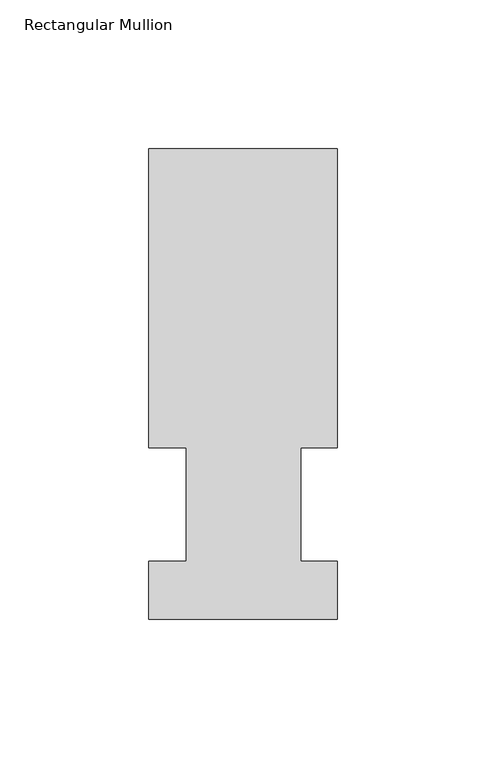
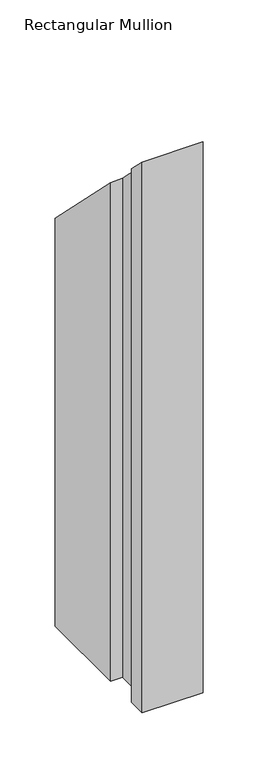
"""IFC4 building model written with IfcOpenShell, lengths in millimetres: member geometry, Rectangular Mullion."""

from ifc_helpers import new_model, si_unit, origin, place, context, project, spatial, faceted_brep, source, transform, mapped, element, save


def rectangular_mullion_f6819860(model_context):
    return source(origin(), model_context, "Body", "Brep", [
        faceted_brep([(-63.5, 57.6460937, -609.56825), (-63.5, 158.3316937, -609.56825), (0.0, 158.3316937, -609.56825), (0.0, 57.6460937, -609.56825), (-12.3418395, 57.6460937, -609.56825), (-12.3418395, 19.5460937, -609.56825), (0.0, 19.5460937, -609.56825), (0.0, 0.0134937, -609.56825), (-63.5, 0.0134937, -609.56825), (-63.5, 19.5460937, -609.56825), (-50.8, 19.5460937, -609.56825), (-50.8, 57.6460937, -609.56825), (-50.8, 57.6460937, -57.6460937), (-63.5, 57.6460937, -57.6460937), (-50.8, 19.5460937, -19.5460937), (-63.5, 19.5460937, -19.5460937), (-63.5, 0.0134937, -0.0134937), (0.0, 0.0134937, -0.0134937), (0.0, 19.5460937, -19.5460937), (-12.3418395, 19.5460937, -19.5460937), (-12.3418395, 57.6460937, -57.6460937), (0.0, 57.6460938, -57.6460937), (0.0, 158.3316937, -158.3316937), (-63.5, 158.3316937, -158.3316937)], [[[0, 1, 2, 3, 4, 5, 6, 7, 8, 9, 10, 11]], [[12, 13, 0, 11]], [[14, 12, 11, 10]], [[15, 14, 10, 9]], [[16, 15, 9, 8]], [[17, 16, 8, 7]], [[18, 17, 7, 6]], [[19, 18, 6, 5]], [[20, 19, 5, 4]], [[21, 20, 4, 3]], [[22, 21, 3, 2]], [[23, 22, 2, 1]], [[13, 23, 1, 0]], [[13, 12, 14, 15, 16, 17, 18, 19, 20, 21, 22, 23]]]),
    ])


if __name__ == "__main__":
    model = new_model("IFC4")
    model_context = context("Model", 3, world=origin())
    ifc_project = project(units=[si_unit("LENGTHUNIT", "METRE", prefix="MILLI")], contexts=[model_context])
    site = spatial("IfcSite", under=ifc_project)
    building = spatial("IfcBuilding", under=site)
    placement = place(None, origin())
    rectangular_mullion_shape = rectangular_mullion_f6819860(model_context)
    element("IfcMember", 1, ObjectType="Rectangular Mullion", at=placement, inside=building, context=model_context, shape_type="MappedRepresentation", body=[
        mapped(rectangular_mullion_shape, transform((0.0, 0.0, 0.0), x_axis=(1.0, 0.0, 0.0), y_axis=(0.0, 1.0, 0.0), z_axis=(0.0, 0.0, 1.0))),
    ])
    save(model, "model.ifc")
